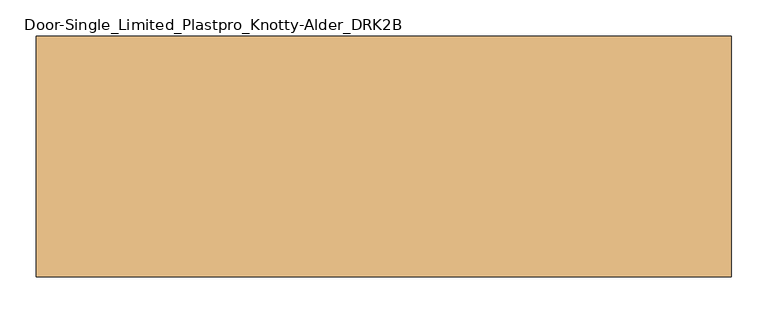
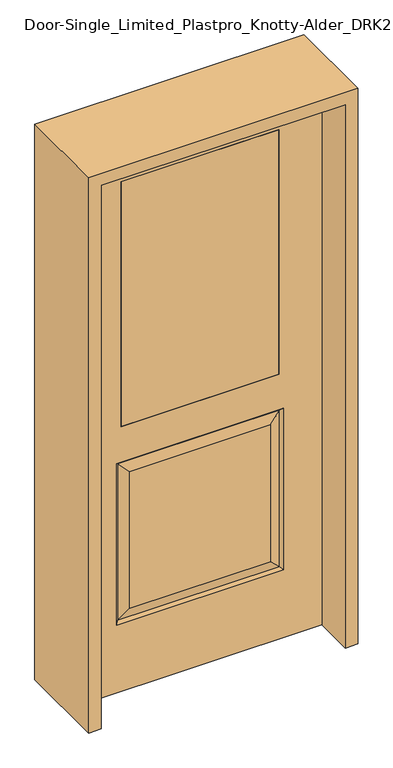
"""IFC4 building model written with IfcOpenShell, lengths in millimetres: door geometry, Door-Single_Limited_Plastpro_Knotty-Alder_DRK2B."""

from ifc_helpers import new_model, si_unit, frame, origin, place, context, project, spatial, polyline, outline, extrude, faceted_brep, source, transform, mapped, element, save


def door_single_limited_plastpro_knotty_alder_drk2b_57d7305e(model_context):
    return source(origin(), model_context, "Body", "SolidModel", [
        extrude(outline(polyline([(279.4, -22.225), (-279.4, -22.225), (-279.4, 22.225), (279.4, 22.225), (279.4, -22.225)])), frame((0.0, 0.0, 990.6), z_axis=(0.0, 0.0, 1.0), x_axis=(1.0, 0.0, 0.0)), (0.0, 0.0, 1.0), 914.4),
        faceted_brep([(431.8, 22.225, 0.0), (431.8, -22.225, 0.0), (-431.8, -22.225, 0.0), (-431.8, 22.225, 0.0), (431.8, 22.225, 2032.0), (431.8, -22.225, 2032.0), (-249.2375, -22.225, 300.0375), (249.2375, -22.225, 300.0375), (249.2375, -22.225, 811.2125), (-249.2375, -22.225, 811.2125), (-431.8, -22.225, 2032.0), (295.275, -22.225, 254.0), (-295.275, -22.225, 254.0), (-295.275, -22.225, 857.25), (295.275, -22.225, 857.25), (-279.4, -22.225, 1905.0), (279.4, -22.225, 1905.0), (279.4, -22.225, 990.6), (-279.4, -22.225, 990.6), (-431.8, 22.225, 2032.0), (-249.2375, 22.225, 811.2125), (249.2375, 22.225, 811.2125), (249.2375, 22.225, 300.0375), (-249.2375, 22.225, 300.0375), (295.275, 22.225, 857.25), (-295.275, 22.225, 857.25), (-295.275, 22.225, 254.0), (295.275, 22.225, 254.0), (279.4, 22.225, 1905.0), (-279.4, 22.225, 1905.0), (-279.4, 22.225, 990.6), (279.4, 22.225, 990.6), (286.2947439, 13.2447439, 848.2697439), (-286.2947439, 13.2447439, 848.2697439), (-286.2947439, 13.2447439, 262.9802561), (286.2947439, 13.2447439, 262.9802561), (286.2947439, -13.2447439, 262.9802561), (-286.2947439, -13.2447439, 262.9802561), (-286.2947439, -13.2447439, 848.2697439), (286.2947439, -13.2447439, 848.2697439)], [[[0, 1, 2, 3]], [[4, 5, 1, 0]], [[6, 7, 8, 9]], [[5, 10, 2, 1], [11, 12, 13, 14], [15, 16, 17, 18]], [[10, 19, 3, 2]], [[20, 21, 22, 23]], [[19, 4, 0, 3], [24, 25, 26, 27], [28, 29, 30, 31]], [[32, 33, 25, 24]], [[25, 33, 34, 26]], [[26, 34, 35, 27]], [[32, 24, 27, 35]], [[33, 32, 21, 20]], [[21, 32, 35, 22]], [[34, 23, 22, 35]], [[33, 20, 23, 34]], [[29, 15, 18, 30]], [[30, 18, 17, 31]], [[16, 28, 31, 17]], [[36, 37, 12, 11]], [[12, 37, 38, 13]], [[13, 38, 39, 14]], [[36, 11, 14, 39]], [[37, 36, 7, 6]], [[7, 36, 39, 8]], [[38, 9, 8, 39]], [[37, 6, 9, 38]], [[4, 19, 10, 5]], [[15, 29, 28, 16]]]),
        extrude(outline(polyline([(2076.45, -476.25), (0.0, -476.25), (0.0, -431.8), (2032.0, -431.8), (2032.0, 431.8), (0.0, 431.8), (0.0, 476.25), (2076.45, 476.25), (2076.45, -476.25)])), frame((0.0, -165.1, 0.0), z_axis=(0.0, 1.0, 0.0), x_axis=(0.0, 0.0, 1.0)), (0.0, 0.0, 1.0), 330.2),
    ])


if __name__ == "__main__":
    model = new_model("IFC4")
    model_context = context("Model", 3, world=origin())
    ifc_project = project(units=[si_unit("LENGTHUNIT", "METRE", prefix="MILLI")], contexts=[model_context])
    site = spatial("IfcSite", under=ifc_project)
    building = spatial("IfcBuilding", under=site)
    placement = place(None, origin())
    door_single_limited_plastpro_knotty_alder_drk2b_shape = door_single_limited_plastpro_knotty_alder_drk2b_57d7305e(model_context)
    element("IfcDoor", 1, ObjectType="Door-Single_Limited_Plastpro_Knotty-Alder_DRK2B", at=placement, inside=building, context=model_context, shape_type="MappedRepresentation", body=[
        mapped(door_single_limited_plastpro_knotty_alder_drk2b_shape, transform((0.0, 0.0, 0.0), x_axis=(1.0, 0.0, 0.0), y_axis=(0.0, 1.0, 0.0), z_axis=(0.0, 0.0, 1.0))),
    ])
    save(model, "model.ifc")
